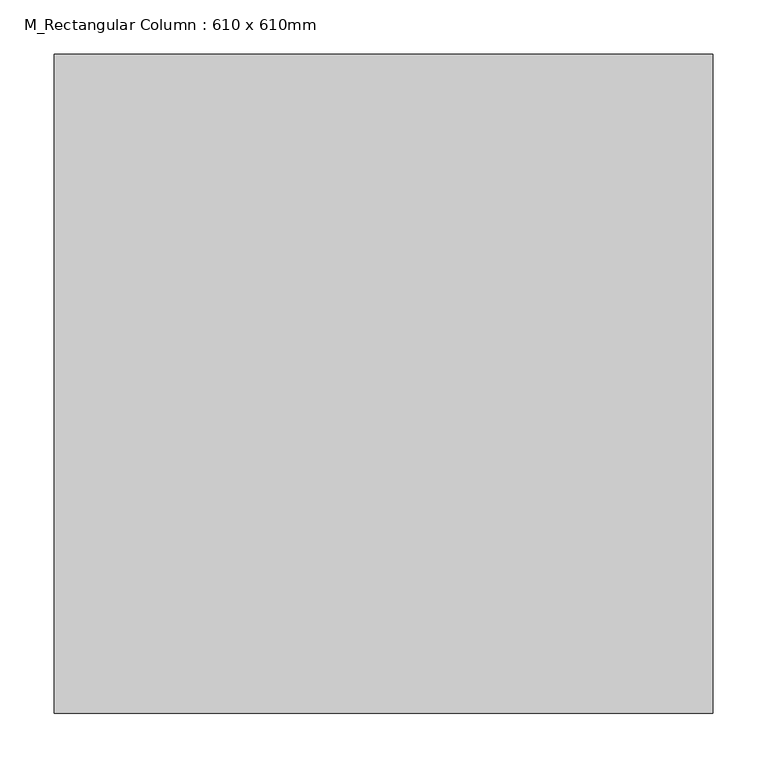
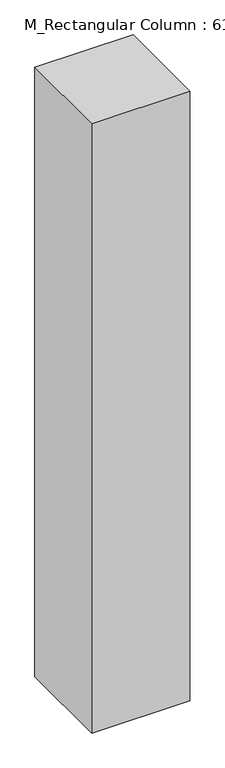
"""IFC4 building model written with IfcOpenShell, lengths in millimetres: column geometry, M_Rectangular Column : 610 x 610mm."""

import ifcopenshell
import ifcopenshell.guid

model = None  # the IFC model being written
_history = None  # IfcOwnerHistory: only IFC2X3 demands one
_inside = {}  # id of a spatial element -> (the spatial element, [elements in it])
_under = {}  # id of a project, library or spatial element -> (it, [spatial elements below it])
_declared = {}  # id of a project -> (the project, [libraries it declares])
_typed = {}  # id of a type object -> (the type object, [elements of that type])
_made_of = {}  # id of a material, layer set ... -> (it, [elements and type objects made of it])


def new_model(schema):
    """Start an empty IFC model of exactly this schema.

    Asked for "IFC4X3", IfcOpenShell would pick the latest addendum, in which some entities
    have other attributes; the version numbers below select the first issue.
    IFC2X3 requires an IfcOwnerHistory on every rooted entity: one is made here for all.
    """
    global model, _history
    if schema == "IFC4X3":
        model = ifcopenshell.file(schema_version=(4, 3, 0, 0))
    else:
        model = ifcopenshell.file(schema=schema)
    _inside.clear()
    _under.clear()
    _declared.clear()
    _typed.clear()
    _made_of.clear()
    _history = None
    if model.schema == "IFC2X3":
        org = make("IfcOrganization", Name="unknown")
        user = make(
            "IfcPersonAndOrganization",
            ThePerson=make("IfcPerson", FamilyName="unknown"),
            TheOrganization=org,
        )
        app = make(
            "IfcApplication",
            ApplicationDeveloper=org,
            Version="unknown",
            ApplicationFullName="unknown",
            ApplicationIdentifier="unknown",
        )
        _history = make(
            "IfcOwnerHistory",
            OwningUser=user,
            OwningApplication=app,
            ChangeAction="ADDED",
            CreationDate=0,
        )
    return model


def make(cls, **values):
    """One entity of the class cls with the attributes given. An attribute that is None is left unset."""
    return model.create_entity(
        cls, **{name: value for name, value in values.items() if value is not None}
    )


def rooted(cls, **values):
    """An entity with a GlobalId (a new one), such as an element, a storey or a relation."""
    return make(cls, GlobalId=ifcopenshell.guid.new(), OwnerHistory=_history, **values)


def si_unit(unit_type, name, prefix=None):
    """IfcSIUnit, for example si_unit("LENGTHUNIT", "METRE", prefix="MILLI")."""
    return make("IfcSIUnit", UnitType=unit_type, Prefix=prefix, Name=name)


def assignment(units):
    """IfcUnitAssignment: the units of a project."""
    return None if units is None else make("IfcUnitAssignment", Units=units)


def point(xyz):
    """IfcCartesianPoint."""
    return None if xyz is None else make("IfcCartesianPoint", Coordinates=xyz)


def direction(xyz):
    """IfcDirection."""
    return None if xyz is None else make("IfcDirection", DirectionRatios=xyz)


def frame(location, z_axis=None, x_axis=None):
    """IfcAxis2Placement3D, a coordinate frame: its origin and axes. An axis left out is left unset."""
    return make(
        "IfcAxis2Placement3D",
        Location=point(location),
        Axis=direction(z_axis),
        RefDirection=direction(x_axis),
    )


def origin():
    """The frame at (0, 0, 0) with its axes left unset."""
    return frame((0.0, 0.0, 0.0))


def place(relative_to, where):
    """IfcLocalPlacement: puts the frame where relative to a parent placement (None: the world)."""
    return make(
        "IfcLocalPlacement", PlacementRelTo=relative_to, RelativePlacement=where
    )


def context(
    kind, dimensions, precision=None, world=None, true_north=None, identifier=None
):
    """IfcGeometricRepresentationContext, for example the 3D "Model" context."""
    return make(
        "IfcGeometricRepresentationContext",
        ContextIdentifier=identifier,
        ContextType=kind,
        CoordinateSpaceDimension=dimensions,
        Precision=precision,
        WorldCoordinateSystem=world,
        TrueNorth=true_north,
    )


def project(units=None, contexts=None):
    """IfcProject with its units and contexts."""
    return rooted(
        "IfcProject",
        Name="project",
        RepresentationContexts=contexts,
        UnitsInContext=assignment(units),
    )


def spatial(cls, under=None, at=None, **own):
    """A site, building, storey or space (cls), placed at a placement, below another one or the project."""
    s = rooted(cls, ObjectPlacement=at, **own)
    if under is not None:
        _under.setdefault(under.id(), (under, []))[1].append(s)
    return s


def polyline(points):
    """IfcPolyline through the points."""
    return make("IfcPolyline", Points=[point(p) for p in points])


def outline(outer, holes=None, kind="AREA"):
    """IfcArbitraryClosedProfileDef: a profile drawn as a closed curve; with holes, ...WithVoids."""
    if holes is None:
        return make("IfcArbitraryClosedProfileDef", ProfileType=kind, OuterCurve=outer)
    return make(
        "IfcArbitraryProfileDefWithVoids",
        ProfileType=kind,
        OuterCurve=outer,
        InnerCurves=holes,
    )


def extrude(swept, where, along, depth):
    """IfcExtrudedAreaSolid: the profile swept, set in the frame where, extruded along a direction by depth."""
    return make(
        "IfcExtrudedAreaSolid",
        SweptArea=swept,
        Position=where,
        ExtrudedDirection=direction(along),
        Depth=depth,
    )


def shape(context_of_items, identifier, shape_type, items):
    """IfcShapeRepresentation: the items that make up one representation, for example the "Body"."""
    return make(
        "IfcShapeRepresentation",
        ContextOfItems=context_of_items,
        RepresentationIdentifier=identifier,
        RepresentationType=shape_type,
        Items=items,
    )


def source(mapping_origin, context_of_items, identifier, shape_type, items):
    """IfcRepresentationMap: a shape defined once, which mapped items show again and again."""
    return make(
        "IfcRepresentationMap",
        MappingOrigin=mapping_origin,
        MappedRepresentation=shape(context_of_items, identifier, shape_type, items),
    )


def transform(
    local_origin,
    x_axis=None,
    y_axis=None,
    z_axis=None,
    scale=None,
    scale2=None,
    scale3=None,
    uniform=True,
):
    """IfcCartesianTransformationOperator3D, or its non-uniform kind. x_axis, y_axis, z_axis: its Axis1, 2, 3."""
    if uniform:
        return make(
            "IfcCartesianTransformationOperator3D",
            Axis1=direction(x_axis),
            Axis2=direction(y_axis),
            LocalOrigin=point(local_origin),
            Scale=scale,
            Axis3=direction(z_axis),
        )
    return make(
        "IfcCartesianTransformationOperator3DnonUniform",
        Axis1=direction(x_axis),
        Axis2=direction(y_axis),
        LocalOrigin=point(local_origin),
        Scale=scale,
        Axis3=direction(z_axis),
        Scale2=scale2,
        Scale3=scale3,
    )


def mapped(mapping_source, mapping_target):
    """IfcMappedItem: shows the shape of a source again, moved by a transform."""
    return make(
        "IfcMappedItem", MappingSource=mapping_source, MappingTarget=mapping_target
    )


def made_of(thing, what):
    """Note that an element or type object is made of a material, layer set ...; save() writes the relation."""
    if what is not None:
        _made_of.setdefault(what.id(), (what, []))[1].append(thing)
    return thing


def element(
    cls,
    number,
    at=None,
    inside=None,
    cuts=None,
    type_object=None,
    material=None,
    context=None,
    identifier="Body",
    shape_type=None,
    held_by="IfcProductDefinitionShape",
    body=None,
    shapes=None,
    **own,
):
    """One element of the class cls, such as IfcWall. Its Tag is "e" and its number.

    at: its placement. inside: the storey or other place that contains it. cuts: it is an
    opening in that element (IfcRelVoidsElement). A single representation is given by context,
    identifier, shape_type and body (its items); several are given by shapes. held_by: the class
    of the entity that holds the representations. save() writes the other relations.
    """
    e = rooted(cls, Tag="e%d" % number, ObjectPlacement=at, **own)
    if body is not None:
        shapes = [shape(context, identifier, shape_type, body)]
    if shapes is not None:
        e.Representation = make(held_by, Representations=shapes)
    if inside is not None:
        _inside.setdefault(inside.id(), (inside, []))[1].append(e)
    if cuts is not None:
        rooted(
            "IfcRelVoidsElement", RelatingBuildingElement=cuts, RelatedOpeningElement=e
        )
    if type_object is not None:
        _typed.setdefault(type_object.id(), (type_object, []))[1].append(e)
    return made_of(e, material)


def aggregate(whole, parts):
    """IfcRelAggregates: a whole, such as a stair, and the parts it consists of."""
    return rooted("IfcRelAggregates", RelatingObject=whole, RelatedObjects=parts)


def save(model, path):
    """Write the relations noted so far, then the file.

    IfcRelAggregates (storeys below a building ...), IfcRelContainedInSpatialStructure (elements
    in a storey), IfcRelDefinesByType, IfcRelAssociatesMaterial and IfcRelDeclares: one each for
    every whole, place, type object, material and project.
    """
    for whole, parts in _under.values():
        aggregate(whole, parts)
    for where, things in _inside.values():
        rooted(
            "IfcRelContainedInSpatialStructure",
            RelatedElements=things,
            RelatingStructure=where,
        )
    for kind, things in _typed.values():
        rooted("IfcRelDefinesByType", RelatedObjects=things, RelatingType=kind)
    for what, things in _made_of.values():
        rooted("IfcRelAssociatesMaterial", RelatedObjects=things, RelatingMaterial=what)
    for by, libraries in _declared.values():
        rooted("IfcRelDeclares", RelatingContext=by, RelatedDefinitions=libraries)
    model.write(path)


def m_rectangular_column_610_x_610mm_759384c9(model_context):
    return source(origin(), model_context, "Body", "SweptSolid", [
        extrude(outline(polyline([(305.0, 305.0), (305.0, -305.0), (-305.0, -305.0), (-305.0, 305.0), (305.0, 305.0)])), frame((0.0, 0.0, 19997.5633081), z_axis=(0.0, 0.0, 1.0), x_axis=(1.0, 0.0, 0.0)), (0.0, 0.0, 1.0), 4000.0),
    ])


if __name__ == "__main__":
    model = new_model("IFC4")
    model_context = context("Model", 3, world=origin())
    ifc_project = project(units=[si_unit("LENGTHUNIT", "METRE", prefix="MILLI")], contexts=[model_context])
    site = spatial("IfcSite", under=ifc_project)
    building = spatial("IfcBuilding", under=site)
    placement = place(None, origin())
    m_rectangular_column_610_x_610mm_shape = m_rectangular_column_610_x_610mm_759384c9(model_context)
    element("IfcColumn", 1, ObjectType="M_Rectangular Column : 610 x 610mm", at=placement, inside=building, context=model_context, shape_type="MappedRepresentation", body=[
        mapped(m_rectangular_column_610_x_610mm_shape, transform((0.0, 0.0, 0.0), x_axis=(1.0, 0.0, 0.0), y_axis=(0.0, 1.0, 0.0), z_axis=(0.0, 0.0, 1.0))),
    ])
    save(model, "model.ifc")
